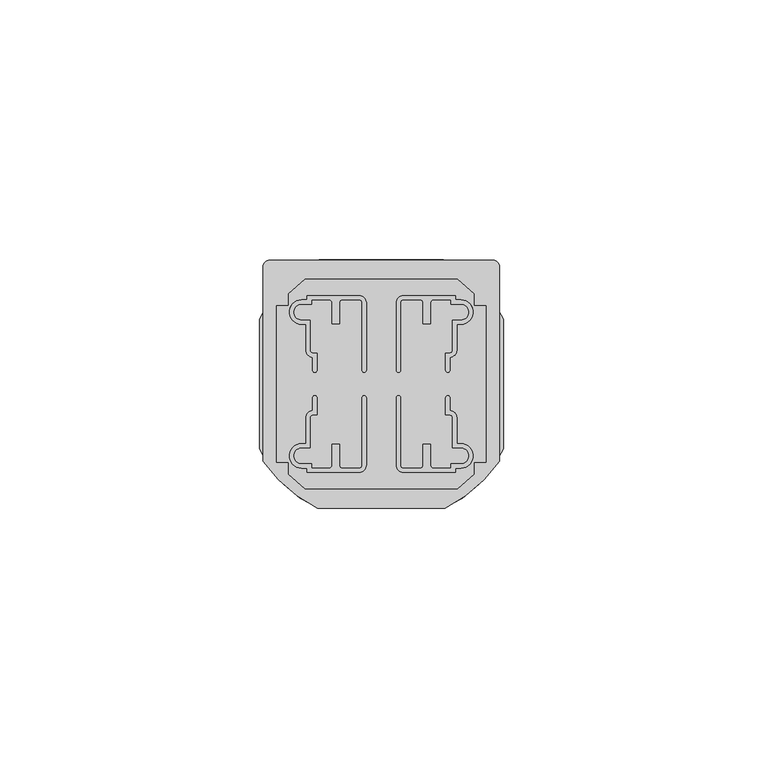
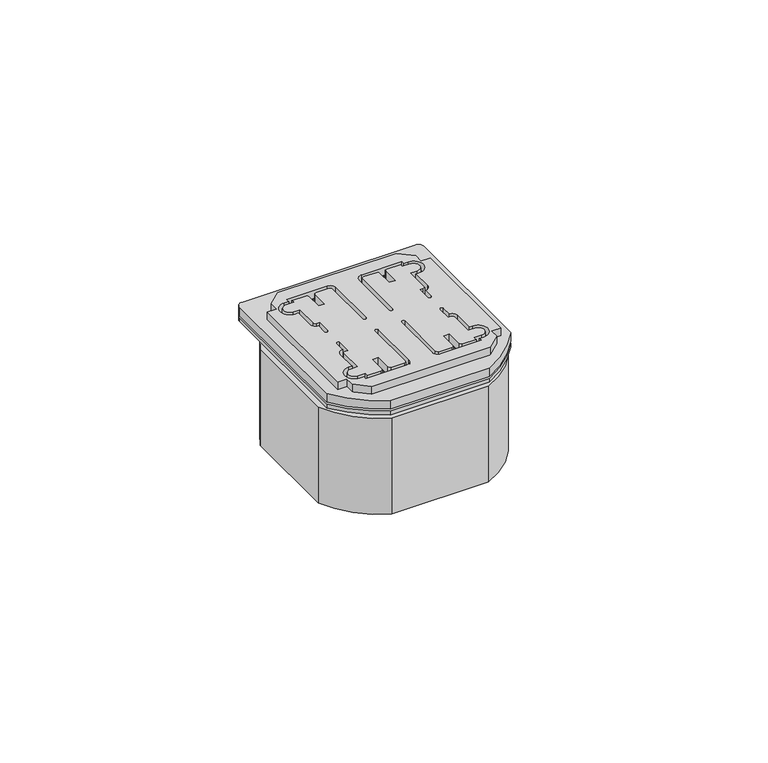
"""IFC4 building model written with IfcOpenShell, lengths in millimetres: proxy geometry."""

import ifcopenshell
import ifcopenshell.guid

model = None  # the IFC model being written
_history = None  # IfcOwnerHistory: only IFC2X3 demands one
_inside = {}  # id of a spatial element -> (the spatial element, [elements in it])
_under = {}  # id of a project, library or spatial element -> (it, [spatial elements below it])
_declared = {}  # id of a project -> (the project, [libraries it declares])
_typed = {}  # id of a type object -> (the type object, [elements of that type])
_made_of = {}  # id of a material, layer set ... -> (it, [elements and type objects made of it])


def new_model(schema):
    """Start an empty IFC model of exactly this schema.

    Asked for "IFC4X3", IfcOpenShell would pick the latest addendum, in which some entities
    have other attributes; the version numbers below select the first issue.
    IFC2X3 requires an IfcOwnerHistory on every rooted entity: one is made here for all.
    """
    global model, _history
    if schema == "IFC4X3":
        model = ifcopenshell.file(schema_version=(4, 3, 0, 0))
    else:
        model = ifcopenshell.file(schema=schema)
    _inside.clear()
    _under.clear()
    _declared.clear()
    _typed.clear()
    _made_of.clear()
    _history = None
    if model.schema == "IFC2X3":
        org = make("IfcOrganization", Name="unknown")
        user = make(
            "IfcPersonAndOrganization",
            ThePerson=make("IfcPerson", FamilyName="unknown"),
            TheOrganization=org,
        )
        app = make(
            "IfcApplication",
            ApplicationDeveloper=org,
            Version="unknown",
            ApplicationFullName="unknown",
            ApplicationIdentifier="unknown",
        )
        _history = make(
            "IfcOwnerHistory",
            OwningUser=user,
            OwningApplication=app,
            ChangeAction="ADDED",
            CreationDate=0,
        )
    return model


def make(cls, **values):
    """One entity of the class cls with the attributes given. An attribute that is None is left unset."""
    return model.create_entity(
        cls, **{name: value for name, value in values.items() if value is not None}
    )


def rooted(cls, **values):
    """An entity with a GlobalId (a new one), such as an element, a storey or a relation."""
    return make(cls, GlobalId=ifcopenshell.guid.new(), OwnerHistory=_history, **values)


def si_unit(unit_type, name, prefix=None):
    """IfcSIUnit, for example si_unit("LENGTHUNIT", "METRE", prefix="MILLI")."""
    return make("IfcSIUnit", UnitType=unit_type, Prefix=prefix, Name=name)


def assignment(units):
    """IfcUnitAssignment: the units of a project."""
    return None if units is None else make("IfcUnitAssignment", Units=units)


def point(xyz):
    """IfcCartesianPoint."""
    return None if xyz is None else make("IfcCartesianPoint", Coordinates=xyz)


def direction(xyz):
    """IfcDirection."""
    return None if xyz is None else make("IfcDirection", DirectionRatios=xyz)


def frame(location, z_axis=None, x_axis=None):
    """IfcAxis2Placement3D, a coordinate frame: its origin and axes. An axis left out is left unset."""
    return make(
        "IfcAxis2Placement3D",
        Location=point(location),
        Axis=direction(z_axis),
        RefDirection=direction(x_axis),
    )


def frame_2d(location, x_axis=None):
    """IfcAxis2Placement2D, a coordinate frame in the plane: its origin and x axis."""
    return make(
        "IfcAxis2Placement2D", Location=point(location), RefDirection=direction(x_axis)
    )


def origin():
    """The frame at (0, 0, 0) with its axes left unset."""
    return frame((0.0, 0.0, 0.0))


def origin_with_axes():
    """The frame at (0, 0, 0) with the z axis (0, 0, 1) and the x axis (1, 0, 0) written out."""
    return frame((0.0, 0.0, 0.0), z_axis=(0.0, 0.0, 1.0), x_axis=(1.0, 0.0, 0.0))


def place(relative_to, where):
    """IfcLocalPlacement: puts the frame where relative to a parent placement (None: the world)."""
    return make(
        "IfcLocalPlacement", PlacementRelTo=relative_to, RelativePlacement=where
    )


def context(
    kind, dimensions, precision=None, world=None, true_north=None, identifier=None
):
    """IfcGeometricRepresentationContext, for example the 3D "Model" context."""
    return make(
        "IfcGeometricRepresentationContext",
        ContextIdentifier=identifier,
        ContextType=kind,
        CoordinateSpaceDimension=dimensions,
        Precision=precision,
        WorldCoordinateSystem=world,
        TrueNorth=true_north,
    )


def project(units=None, contexts=None):
    """IfcProject with its units and contexts."""
    return rooted(
        "IfcProject",
        Name="project",
        RepresentationContexts=contexts,
        UnitsInContext=assignment(units),
    )


def spatial(cls, under=None, at=None, **own):
    """A site, building, storey or space (cls), placed at a placement, below another one or the project."""
    s = rooted(cls, ObjectPlacement=at, **own)
    if under is not None:
        _under.setdefault(under.id(), (under, []))[1].append(s)
    return s


def polyline(points):
    """IfcPolyline through the points."""
    return make("IfcPolyline", Points=[point(p) for p in points])


def circle_curve(where, radius):
    """IfcCircle in the frame where."""
    return make("IfcCircle", Position=where, Radius=radius)


def trimmed(basis, trim1, trim2, sense, master):
    """IfcTrimmedCurve: the piece of a basis curve between two trims."""
    return make(
        "IfcTrimmedCurve",
        BasisCurve=basis,
        Trim1=trim1,
        Trim2=trim2,
        SenseAgreement=sense,
        MasterRepresentation=master,
    )


def segment(curve, same_sense, transition):
    """IfcCompositeCurveSegment."""
    return make(
        "IfcCompositeCurveSegment",
        Transition=transition,
        SameSense=same_sense,
        ParentCurve=curve,
    )


def composite_curve(segments, self_intersect=None):
    """IfcCompositeCurve: segments joined end to end."""
    return make("IfcCompositeCurve", Segments=segments, SelfIntersect=self_intersect)


def outline(outer, holes=None, kind="AREA"):
    """IfcArbitraryClosedProfileDef: a profile drawn as a closed curve; with holes, ...WithVoids."""
    if holes is None:
        return make("IfcArbitraryClosedProfileDef", ProfileType=kind, OuterCurve=outer)
    return make(
        "IfcArbitraryProfileDefWithVoids",
        ProfileType=kind,
        OuterCurve=outer,
        InnerCurves=holes,
    )


def extrude(swept, where, along, depth):
    """IfcExtrudedAreaSolid: the profile swept, set in the frame where, extruded along a direction by depth."""
    return make(
        "IfcExtrudedAreaSolid",
        SweptArea=swept,
        Position=where,
        ExtrudedDirection=direction(along),
        Depth=depth,
    )


def shape(context_of_items, identifier, shape_type, items):
    """IfcShapeRepresentation: the items that make up one representation, for example the "Body"."""
    return make(
        "IfcShapeRepresentation",
        ContextOfItems=context_of_items,
        RepresentationIdentifier=identifier,
        RepresentationType=shape_type,
        Items=items,
    )


def source(mapping_origin, context_of_items, identifier, shape_type, items):
    """IfcRepresentationMap: a shape defined once, which mapped items show again and again."""
    return make(
        "IfcRepresentationMap",
        MappingOrigin=mapping_origin,
        MappedRepresentation=shape(context_of_items, identifier, shape_type, items),
    )


def transform(
    local_origin,
    x_axis=None,
    y_axis=None,
    z_axis=None,
    scale=None,
    scale2=None,
    scale3=None,
    uniform=True,
):
    """IfcCartesianTransformationOperator3D, or its non-uniform kind. x_axis, y_axis, z_axis: its Axis1, 2, 3."""
    if uniform:
        return make(
            "IfcCartesianTransformationOperator3D",
            Axis1=direction(x_axis),
            Axis2=direction(y_axis),
            LocalOrigin=point(local_origin),
            Scale=scale,
            Axis3=direction(z_axis),
        )
    return make(
        "IfcCartesianTransformationOperator3DnonUniform",
        Axis1=direction(x_axis),
        Axis2=direction(y_axis),
        LocalOrigin=point(local_origin),
        Scale=scale,
        Axis3=direction(z_axis),
        Scale2=scale2,
        Scale3=scale3,
    )


def mapped(mapping_source, mapping_target):
    """IfcMappedItem: shows the shape of a source again, moved by a transform."""
    return make(
        "IfcMappedItem", MappingSource=mapping_source, MappingTarget=mapping_target
    )


def made_of(thing, what):
    """Note that an element or type object is made of a material, layer set ...; save() writes the relation."""
    if what is not None:
        _made_of.setdefault(what.id(), (what, []))[1].append(thing)
    return thing


def element(
    cls,
    number,
    at=None,
    inside=None,
    cuts=None,
    type_object=None,
    material=None,
    context=None,
    identifier="Body",
    shape_type=None,
    held_by="IfcProductDefinitionShape",
    body=None,
    shapes=None,
    **own,
):
    """One element of the class cls, such as IfcWall. Its Tag is "e" and its number.

    at: its placement. inside: the storey or other place that contains it. cuts: it is an
    opening in that element (IfcRelVoidsElement). A single representation is given by context,
    identifier, shape_type and body (its items); several are given by shapes. held_by: the class
    of the entity that holds the representations. save() writes the other relations.
    """
    e = rooted(cls, Tag="e%d" % number, ObjectPlacement=at, **own)
    if body is not None:
        shapes = [shape(context, identifier, shape_type, body)]
    if shapes is not None:
        e.Representation = make(held_by, Representations=shapes)
    if inside is not None:
        _inside.setdefault(inside.id(), (inside, []))[1].append(e)
    if cuts is not None:
        rooted(
            "IfcRelVoidsElement", RelatingBuildingElement=cuts, RelatedOpeningElement=e
        )
    if type_object is not None:
        _typed.setdefault(type_object.id(), (type_object, []))[1].append(e)
    return made_of(e, material)


def aggregate(whole, parts):
    """IfcRelAggregates: a whole, such as a stair, and the parts it consists of."""
    return rooted("IfcRelAggregates", RelatingObject=whole, RelatedObjects=parts)


def save(model, path):
    """Write the relations noted so far, then the file.

    IfcRelAggregates (storeys below a building ...), IfcRelContainedInSpatialStructure (elements
    in a storey), IfcRelDefinesByType, IfcRelAssociatesMaterial and IfcRelDeclares: one each for
    every whole, place, type object, material and project.
    """
    for whole, parts in _under.values():
        aggregate(whole, parts)
    for where, things in _inside.values():
        rooted(
            "IfcRelContainedInSpatialStructure",
            RelatedElements=things,
            RelatingStructure=where,
        )
    for kind, things in _typed.values():
        rooted("IfcRelDefinesByType", RelatedObjects=things, RelatingType=kind)
    for what, things in _made_of.values():
        rooted("IfcRelAssociatesMaterial", RelatedObjects=things, RelatingMaterial=what)
    for by, libraries in _declared.values():
        rooted("IfcRelDeclares", RelatingContext=by, RelatedDefinitions=libraries)
    model.write(path)


def electrical_fixtures_1c433d3c(model_context):
    return source(origin(), model_context, "Body", "SweptSolid", [
        extrude(outline(composite_curve([segment(polyline([(0.9789013, 46.32347), (43.9976663, 46.32347)]), True, "CONTINUOUS"), segment(trimmed(circle_curve(frame_2d((43.9976663, 45.0249319)), 1.2985381), [point((43.9976663, 46.32347))], [point((45.2962044, 45.0249319))], False, "CARTESIAN"), True, "CONTINUOUS"), segment(polyline([(45.2962044, 45.0249319), (45.2962044, 7.6543811)]), True, "CONTINUOUS"), segment(trimmed(circle_curve(frame_2d((21.1903516, 24.8431667)), 29.6065278), [point((45.2962044, 7.6543811))], [point((34.7580096, -1.4715658))], False, "CARTESIAN"), True, "CONTINUOUS"), segment(polyline([(34.7580096, -1.4715658), (10.2419904, -1.4715658)]), True, "CONTINUOUS"), segment(trimmed(circle_curve(frame_2d((23.8096484, 24.8431667)), 29.6065278), [point((10.2419904, -1.4715658))], [point((-0.2962044, 7.6543811))], False, "CARTESIAN"), True, "CONTINUOUS"), segment(polyline([(-0.2962044, 7.6543811), (-0.2962044, 45.0483644)]), True, "CONTINUOUS"), segment(trimmed(circle_curve(frame_2d((0.9789013, 45.0483644)), 1.2751056), [point((-0.2962044, 45.0483644))], [point((0.9789013, 46.32347))], False, "CARTESIAN"), True, "CONTINUOUS")], self_intersect=False), holes=[composite_curve([segment(polyline([(8.223319, 5.5), (18.223319, 5.5)]), True, "CONTINUOUS"), segment(trimmed(circle_curve(frame_2d((18.223319, 6.873422)), 1.373422), [point((18.223319, 5.5))], [point((19.596741, 6.873422))], True, "CARTESIAN"), True, "CONTINUOUS"), segment(polyline([(19.596741, 6.873422), (19.596741, 19.8515221)]), True, "CONTINUOUS"), segment(trimmed(circle_curve(frame_2d((19.196741, 19.8515221)), 0.4), [point((19.596741, 19.8515221))], [point((18.796741, 19.8515221))], True, "CARTESIAN"), True, "CONTINUOUS"), segment(polyline([(18.796741, 19.8515221), (18.796741, 6.8108844)]), True, "CONTINUOUS"), segment(trimmed(circle_curve(frame_2d((18.2858566, 6.8108844)), 0.5108844), [point((18.796741, 6.8108844))], [point((18.2858566, 6.3))], False, "CARTESIAN"), True, "CONTINUOUS"), segment(polyline([(18.2858566, 6.3), (14.9445982, 6.3)]), True, "CONTINUOUS"), segment(trimmed(circle_curve(frame_2d((14.9445982, 6.8228572)), 0.5228572), [point((14.9445982, 6.3))], [point((14.421741, 6.8228572))], False, "CARTESIAN"), True, "CONTINUOUS"), segment(polyline([(14.421741, 6.8228572), (14.421741, 10.9015221), (12.996741, 10.9015221), (12.996741, 6.821406)]), True, "CONTINUOUS"), segment(trimmed(circle_curve(frame_2d((12.475335, 6.821406)), 0.521406), [point((12.996741, 6.821406))], [point((12.475335, 6.3))], False, "CARTESIAN"), True, "CONTINUOUS"), segment(polyline([(12.475335, 6.3), (9.023319, 6.3), (9.023319, 7.1), (7.1443079, 7.1)]), True, "CONTINUOUS"), segment(trimmed(circle_curve(frame_2d((7.1443079, 8.6530108)), 1.5530108), [point((7.1443079, 7.1))], [point((7.1443079, 10.2060216))], False, "CARTESIAN"), True, "CONTINUOUS"), segment(polyline([(7.1443079, 10.2060216), (8.746741, 10.2060216), (8.746741, 16.0060216)]), True, "CONTINUOUS"), segment(trimmed(circle_curve(frame_2d((9.2722489, 16.0060216)), 0.5255079), [point((8.746741, 16.0060216))], [point((9.2722489, 16.5315296))], False, "CARTESIAN"), True, "CONTINUOUS"), segment(polyline([(9.2722489, 16.5315296), (10.0722489, 16.5315296), (10.0722489, 19.8515221)]), True, "CONTINUOUS"), segment(trimmed(circle_curve(frame_2d((9.6722489, 19.8515221)), 0.4), [point((10.0722489, 19.8515221))], [point((9.2722489, 19.8515221))], True, "CARTESIAN"), True, "CONTINUOUS"), segment(polyline([(9.2722489, 19.8515221), (9.2722489, 17.3315296)]), True, "CONTINUOUS"), segment(trimmed(circle_curve(frame_2d((9.2722489, 16.0060216)), 1.3255079), [point((9.2722489, 17.3315296))], [point((7.946741, 16.0060216))], True, "CARTESIAN"), True, "CONTINUOUS"), segment(polyline([(7.946741, 16.0060216), (7.946741, 11.0060216), (7.1443079, 11.0060216)]), True, "CONTINUOUS"), segment(trimmed(circle_curve(frame_2d((7.1443079, 8.6530108)), 2.3530108), [point((7.1443079, 11.0060216))], [point((7.1443079, 6.3))], True, "CARTESIAN"), True, "CONTINUOUS"), segment(polyline([(7.1443079, 6.3), (8.223319, 6.3), (8.223319, 5.5)]), True, "CONTINUOUS")], self_intersect=False), composite_curve([segment(polyline([(12.996741, 38.178594), (12.996741, 34.0984779), (14.421741, 34.0984779), (14.421741, 38.1771428)]), True, "CONTINUOUS"), segment(trimmed(circle_curve(frame_2d((14.9445982, 38.1771428)), 0.5228572), [point((14.421741, 38.1771428))], [point((14.9445982, 38.7))], False, "CARTESIAN"), True, "CONTINUOUS"), segment(polyline([(14.9445982, 38.7), (18.2858566, 38.7)]), True, "CONTINUOUS"), segment(trimmed(circle_curve(frame_2d((18.2858566, 38.1891156)), 0.5108844), [point((18.2858566, 38.7))], [point((18.796741, 38.1891156))], False, "CARTESIAN"), True, "CONTINUOUS"), segment(polyline([(18.796741, 38.1891156), (18.796741, 25.1484779)]), True, "CONTINUOUS"), segment(trimmed(circle_curve(frame_2d((19.196741, 25.1484779)), 0.4), [point((18.796741, 25.1484779))], [point((19.596741, 25.1484779))], True, "CARTESIAN"), True, "CONTINUOUS"), segment(polyline([(19.596741, 25.1484779), (19.596741, 38.126578)]), True, "CONTINUOUS"), segment(trimmed(circle_curve(frame_2d((18.223319, 38.126578)), 1.373422), [point((19.596741, 38.126578))], [point((18.223319, 39.5))], True, "CARTESIAN"), True, "CONTINUOUS"), segment(polyline([(18.223319, 39.5), (8.223319, 39.5), (8.223319, 38.7), (7.1443079, 38.7)]), True, "CONTINUOUS"), segment(trimmed(circle_curve(frame_2d((7.1443079, 36.3469892)), 2.3530108), [point((7.1443079, 38.7))], [point((7.1443079, 33.9939784))], True, "CARTESIAN"), True, "CONTINUOUS"), segment(polyline([(7.1443079, 33.9939784), (7.946741, 33.9939784), (7.946741, 28.9939784)]), True, "CONTINUOUS"), segment(trimmed(circle_curve(frame_2d((9.2722489, 28.9939784)), 1.3255079), [point((7.946741, 28.9939784))], [point((9.2722489, 27.6684704))], True, "CARTESIAN"), True, "CONTINUOUS"), segment(polyline([(9.2722489, 27.6684704), (9.2722489, 25.1484779)]), True, "CONTINUOUS"), segment(trimmed(circle_curve(frame_2d((9.6722489, 25.1484779)), 0.4), [point((9.2722489, 25.1484779))], [point((10.0722489, 25.1484779))], True, "CARTESIAN"), True, "CONTINUOUS"), segment(polyline([(10.0722489, 25.1484779), (10.0722489, 28.4684704), (9.2722489, 28.4684704)]), True, "CONTINUOUS"), segment(trimmed(circle_curve(frame_2d((9.2722489, 28.9939784)), 0.5255079), [point((9.2722489, 28.4684704))], [point((8.746741, 28.9939784))], False, "CARTESIAN"), True, "CONTINUOUS"), segment(polyline([(8.746741, 28.9939784), (8.746741, 34.7939784), (7.1443079, 34.7939784)]), True, "CONTINUOUS"), segment(trimmed(circle_curve(frame_2d((7.1443079, 36.3469892)), 1.5530108), [point((7.1443079, 34.7939784))], [point((7.1443079, 37.9))], False, "CARTESIAN"), True, "CONTINUOUS"), segment(polyline([(7.1443079, 37.9), (9.023319, 37.9), (9.023319, 38.7), (12.475335, 38.7)]), True, "CONTINUOUS"), segment(trimmed(circle_curve(frame_2d((12.475335, 38.178594)), 0.521406), [point((12.475335, 38.7))], [point((12.996741, 38.178594))], False, "CARTESIAN"), True, "CONTINUOUS")], self_intersect=False), composite_curve([segment(polyline([(31.9798265, 6.821406), (31.9798265, 10.9015221), (30.5548265, 10.9015221), (30.5548265, 6.8228572)]), True, "CONTINUOUS"), segment(trimmed(circle_curve(frame_2d((30.0319693, 6.8228572)), 0.5228572), [point((30.5548265, 6.8228572))], [point((30.0319693, 6.3))], False, "CARTESIAN"), True, "CONTINUOUS"), segment(polyline([(30.0319693, 6.3), (26.6907109, 6.3)]), True, "CONTINUOUS"), segment(trimmed(circle_curve(frame_2d((26.6907109, 6.8108844)), 0.5108844), [point((26.6907109, 6.3))], [point((26.1798265, 6.8108844))], False, "CARTESIAN"), True, "CONTINUOUS"), segment(polyline([(26.1798265, 6.8108844), (26.1798265, 19.8515221)]), True, "CONTINUOUS"), segment(trimmed(circle_curve(frame_2d((25.7798265, 19.8515221)), 0.4), [point((26.1798265, 19.8515221))], [point((25.3798265, 19.8515221))], True, "CARTESIAN"), True, "CONTINUOUS"), segment(polyline([(25.3798265, 19.8515221), (25.3798265, 6.873422)]), True, "CONTINUOUS"), segment(trimmed(circle_curve(frame_2d((26.7532485, 6.873422)), 1.373422), [point((25.3798265, 6.873422))], [point((26.7532485, 5.5))], True, "CARTESIAN"), True, "CONTINUOUS"), segment(polyline([(26.7532485, 5.5), (36.7532485, 5.5), (36.7532485, 6.3), (37.8322596, 6.3)]), True, "CONTINUOUS"), segment(trimmed(circle_curve(frame_2d((37.8322596, 8.6530108)), 2.3530108), [point((37.8322596, 6.3))], [point((37.8322596, 11.0060216))], True, "CARTESIAN"), True, "CONTINUOUS"), segment(polyline([(37.8322596, 11.0060216), (37.0298265, 11.0060216), (37.0298265, 16.0060216)]), True, "CONTINUOUS"), segment(trimmed(circle_curve(frame_2d((35.7043186, 16.0060216)), 1.3255079), [point((37.0298265, 16.0060216))], [point((35.7043186, 17.3315296))], True, "CARTESIAN"), True, "CONTINUOUS"), segment(polyline([(35.7043186, 17.3315296), (35.7043186, 19.8515221)]), True, "CONTINUOUS"), segment(trimmed(circle_curve(frame_2d((35.3043186, 19.8515221)), 0.4), [point((35.7043186, 19.8515221))], [point((34.9043186, 19.8515221))], True, "CARTESIAN"), True, "CONTINUOUS"), segment(polyline([(34.9043186, 19.8515221), (34.9043186, 16.5315296), (35.7043186, 16.5315296)]), True, "CONTINUOUS"), segment(trimmed(circle_curve(frame_2d((35.7043186, 16.0060216)), 0.5255079), [point((35.7043186, 16.5315296))], [point((36.2298265, 16.0060216))], False, "CARTESIAN"), True, "CONTINUOUS"), segment(polyline([(36.2298265, 16.0060216), (36.2298265, 10.2060216), (37.8322596, 10.2060216)]), True, "CONTINUOUS"), segment(trimmed(circle_curve(frame_2d((37.8322596, 8.6530108)), 1.5530108), [point((37.8322596, 10.2060216))], [point((37.8322596, 7.1))], False, "CARTESIAN"), True, "CONTINUOUS"), segment(polyline([(37.8322596, 7.1), (35.9532485, 7.1), (35.9532485, 6.3), (32.5012325, 6.3)]), True, "CONTINUOUS"), segment(trimmed(circle_curve(frame_2d((32.5012325, 6.821406)), 0.521406), [point((32.5012325, 6.3))], [point((31.9798265, 6.821406))], False, "CARTESIAN"), True, "CONTINUOUS")], self_intersect=False), composite_curve([segment(trimmed(circle_curve(frame_2d((32.5012325, 38.178594)), 0.521406), [point((31.9798265, 38.178594))], [point((32.5012325, 38.7))], False, "CARTESIAN"), True, "CONTINUOUS"), segment(polyline([(32.5012325, 38.7), (35.9532485, 38.7), (35.9532485, 37.9), (37.8322596, 37.9)]), True, "CONTINUOUS"), segment(trimmed(circle_curve(frame_2d((37.8322596, 36.3469892)), 1.5530108), [point((37.8322596, 37.9))], [point((37.8322596, 34.7939784))], False, "CARTESIAN"), True, "CONTINUOUS"), segment(polyline([(37.8322596, 34.7939784), (36.2298265, 34.7939784), (36.2298265, 28.9939784)]), True, "CONTINUOUS"), segment(trimmed(circle_curve(frame_2d((35.7043186, 28.9939784)), 0.5255079), [point((36.2298265, 28.9939784))], [point((35.7043186, 28.4684704))], False, "CARTESIAN"), True, "CONTINUOUS"), segment(polyline([(35.7043186, 28.4684704), (34.9043186, 28.4684704), (34.9043186, 25.1484779)]), True, "CONTINUOUS"), segment(trimmed(circle_curve(frame_2d((35.3043186, 25.1484779)), 0.4), [point((34.9043186, 25.1484779))], [point((35.7043186, 25.1484779))], True, "CARTESIAN"), True, "CONTINUOUS"), segment(polyline([(35.7043186, 25.1484779), (35.7043186, 27.6684704)]), True, "CONTINUOUS"), segment(trimmed(circle_curve(frame_2d((35.7043186, 28.9939784)), 1.3255079), [point((35.7043186, 27.6684704))], [point((37.0298265, 28.9939784))], True, "CARTESIAN"), True, "CONTINUOUS"), segment(polyline([(37.0298265, 28.9939784), (37.0298265, 33.9939784), (37.8322596, 33.9939784)]), True, "CONTINUOUS"), segment(trimmed(circle_curve(frame_2d((37.8322596, 36.3469892)), 2.3530108), [point((37.8322596, 33.9939784))], [point((37.8322596, 38.7))], True, "CARTESIAN"), True, "CONTINUOUS"), segment(polyline([(37.8322596, 38.7), (36.7532485, 38.7), (36.7532485, 39.5), (26.7532485, 39.5)]), True, "CONTINUOUS"), segment(trimmed(circle_curve(frame_2d((26.7532485, 38.126578)), 1.373422), [point((26.7532485, 39.5))], [point((25.3798265, 38.126578))], True, "CARTESIAN"), True, "CONTINUOUS"), segment(polyline([(25.3798265, 38.126578), (25.3798265, 25.1484779)]), True, "CONTINUOUS"), segment(trimmed(circle_curve(frame_2d((25.7798265, 25.1484779)), 0.4), [point((25.3798265, 25.1484779))], [point((26.1798265, 25.1484779))], True, "CARTESIAN"), True, "CONTINUOUS"), segment(polyline([(26.1798265, 25.1484779), (26.1798265, 38.1891156)]), True, "CONTINUOUS"), segment(trimmed(circle_curve(frame_2d((26.6907109, 38.1891156)), 0.5108844), [point((26.1798265, 38.1891156))], [point((26.6907109, 38.7))], False, "CARTESIAN"), True, "CONTINUOUS"), segment(polyline([(26.6907109, 38.7), (30.0319693, 38.7)]), True, "CONTINUOUS"), segment(trimmed(circle_curve(frame_2d((30.0319693, 38.1771428)), 0.5228572), [point((30.0319693, 38.7))], [point((30.5548265, 38.1771428))], False, "CARTESIAN"), True, "CONTINUOUS"), segment(polyline([(30.5548265, 38.1771428), (30.5548265, 34.0984779), (31.9798265, 34.0984779), (31.9798265, 38.178594)]), True, "CONTINUOUS")], self_intersect=False)]), frame((0.0, 0.0, 1.4999955), z_axis=(0.0, 0.0, 1.0), x_axis=(1.0, 0.0, 0.0)), (0.0, 0.0, 1.0), 2.2117035),
        extrude(outline(polyline([(7.817513, 42.6965395), (37.1590546, 42.6965395), (40.3765675, 39.8746223), (40.3765675, 37.6), (42.6878119, 37.6), (42.6878119, 7.4), (40.3765675, 7.4), (40.3765675, 5.1253777), (37.1590546, 2.3034605), (7.817513, 2.3034605), (4.6, 5.1253777), (4.6, 7.4), (2.3121881, 7.4), (2.3121881, 37.6), (4.6, 37.6), (4.6, 39.8746223), (7.817513, 42.6965395)]), holes=[composite_curve([segment(polyline([(8.223319, 5.5), (18.223319, 5.5)]), True, "CONTINUOUS"), segment(trimmed(circle_curve(frame_2d((18.223319, 6.873422)), 1.373422), [point((18.223319, 5.5))], [point((19.596741, 6.873422))], True, "CARTESIAN"), True, "CONTINUOUS"), segment(polyline([(19.596741, 6.873422), (19.596741, 19.8515221)]), True, "CONTINUOUS"), segment(trimmed(circle_curve(frame_2d((19.196741, 19.8515221)), 0.4), [point((19.596741, 19.8515221))], [point((18.796741, 19.8515221))], True, "CARTESIAN"), True, "CONTINUOUS"), segment(polyline([(18.796741, 19.8515221), (18.796741, 6.8108844)]), True, "CONTINUOUS"), segment(trimmed(circle_curve(frame_2d((18.2858566, 6.8108844)), 0.5108844), [point((18.796741, 6.8108844))], [point((18.2858566, 6.3))], False, "CARTESIAN"), True, "CONTINUOUS"), segment(polyline([(18.2858566, 6.3), (14.9445982, 6.3)]), True, "CONTINUOUS"), segment(trimmed(circle_curve(frame_2d((14.9445982, 6.8228572)), 0.5228572), [point((14.9445982, 6.3))], [point((14.421741, 6.8228572))], False, "CARTESIAN"), True, "CONTINUOUS"), segment(polyline([(14.421741, 6.8228572), (14.421741, 10.9015221), (12.996741, 10.9015221), (12.996741, 6.821406)]), True, "CONTINUOUS"), segment(trimmed(circle_curve(frame_2d((12.475335, 6.821406)), 0.521406), [point((12.996741, 6.821406))], [point((12.475335, 6.3))], False, "CARTESIAN"), True, "CONTINUOUS"), segment(polyline([(12.475335, 6.3), (9.023319, 6.3), (9.023319, 7.1), (7.1443079, 7.1)]), True, "CONTINUOUS"), segment(trimmed(circle_curve(frame_2d((7.1443079, 8.6530108)), 1.5530108), [point((7.1443079, 7.1))], [point((7.1443079, 10.2060216))], False, "CARTESIAN"), True, "CONTINUOUS"), segment(polyline([(7.1443079, 10.2060216), (8.746741, 10.2060216), (8.746741, 16.0060216)]), True, "CONTINUOUS"), segment(trimmed(circle_curve(frame_2d((9.2722489, 16.0060216)), 0.5255079), [point((8.746741, 16.0060216))], [point((9.2722489, 16.5315296))], False, "CARTESIAN"), True, "CONTINUOUS"), segment(polyline([(9.2722489, 16.5315296), (10.0722489, 16.5315296), (10.0722489, 19.8515221)]), True, "CONTINUOUS"), segment(trimmed(circle_curve(frame_2d((9.6722489, 19.8515221)), 0.4), [point((10.0722489, 19.8515221))], [point((9.2722489, 19.8515221))], True, "CARTESIAN"), True, "CONTINUOUS"), segment(polyline([(9.2722489, 19.8515221), (9.2722489, 17.3315296)]), True, "CONTINUOUS"), segment(trimmed(circle_curve(frame_2d((9.2722489, 16.0060216)), 1.3255079), [point((9.2722489, 17.3315296))], [point((7.946741, 16.0060216))], True, "CARTESIAN"), True, "CONTINUOUS"), segment(polyline([(7.946741, 16.0060216), (7.946741, 11.0060216), (7.1443079, 11.0060216)]), True, "CONTINUOUS"), segment(trimmed(circle_curve(frame_2d((7.1443079, 8.6530108)), 2.3530108), [point((7.1443079, 11.0060216))], [point((7.1443079, 6.3))], True, "CARTESIAN"), True, "CONTINUOUS"), segment(polyline([(7.1443079, 6.3), (8.223319, 6.3), (8.223319, 5.5)]), True, "CONTINUOUS")], self_intersect=False), composite_curve([segment(polyline([(12.996741, 38.178594), (12.996741, 34.0984779), (14.421741, 34.0984779), (14.421741, 38.1771428)]), True, "CONTINUOUS"), segment(trimmed(circle_curve(frame_2d((14.9445982, 38.1771428)), 0.5228572), [point((14.421741, 38.1771428))], [point((14.9445982, 38.7))], False, "CARTESIAN"), True, "CONTINUOUS"), segment(polyline([(14.9445982, 38.7), (18.2858566, 38.7)]), True, "CONTINUOUS"), segment(trimmed(circle_curve(frame_2d((18.2858566, 38.1891156)), 0.5108844), [point((18.2858566, 38.7))], [point((18.796741, 38.1891156))], False, "CARTESIAN"), True, "CONTINUOUS"), segment(polyline([(18.796741, 38.1891156), (18.796741, 25.1484779)]), True, "CONTINUOUS"), segment(trimmed(circle_curve(frame_2d((19.196741, 25.1484779)), 0.4), [point((18.796741, 25.1484779))], [point((19.596741, 25.1484779))], True, "CARTESIAN"), True, "CONTINUOUS"), segment(polyline([(19.596741, 25.1484779), (19.596741, 38.126578)]), True, "CONTINUOUS"), segment(trimmed(circle_curve(frame_2d((18.223319, 38.126578)), 1.373422), [point((19.596741, 38.126578))], [point((18.223319, 39.5))], True, "CARTESIAN"), True, "CONTINUOUS"), segment(polyline([(18.223319, 39.5), (8.223319, 39.5), (8.223319, 38.7), (7.1443079, 38.7)]), True, "CONTINUOUS"), segment(trimmed(circle_curve(frame_2d((7.1443079, 36.3469892)), 2.3530108), [point((7.1443079, 38.7))], [point((7.1443079, 33.9939784))], True, "CARTESIAN"), True, "CONTINUOUS"), segment(polyline([(7.1443079, 33.9939784), (7.946741, 33.9939784), (7.946741, 28.9939784)]), True, "CONTINUOUS"), segment(trimmed(circle_curve(frame_2d((9.2722489, 28.9939784)), 1.3255079), [point((7.946741, 28.9939784))], [point((9.2722489, 27.6684704))], True, "CARTESIAN"), True, "CONTINUOUS"), segment(polyline([(9.2722489, 27.6684704), (9.2722489, 25.1484779)]), True, "CONTINUOUS"), segment(trimmed(circle_curve(frame_2d((9.6722489, 25.1484779)), 0.4), [point((9.2722489, 25.1484779))], [point((10.0722489, 25.1484779))], True, "CARTESIAN"), True, "CONTINUOUS"), segment(polyline([(10.0722489, 25.1484779), (10.0722489, 28.4684704), (9.2722489, 28.4684704)]), True, "CONTINUOUS"), segment(trimmed(circle_curve(frame_2d((9.2722489, 28.9939784)), 0.5255079), [point((9.2722489, 28.4684704))], [point((8.746741, 28.9939784))], False, "CARTESIAN"), True, "CONTINUOUS"), segment(polyline([(8.746741, 28.9939784), (8.746741, 34.7939784), (7.1443079, 34.7939784)]), True, "CONTINUOUS"), segment(trimmed(circle_curve(frame_2d((7.1443079, 36.3469892)), 1.5530108), [point((7.1443079, 34.7939784))], [point((7.1443079, 37.9))], False, "CARTESIAN"), True, "CONTINUOUS"), segment(polyline([(7.1443079, 37.9), (9.023319, 37.9), (9.023319, 38.7), (12.475335, 38.7)]), True, "CONTINUOUS"), segment(trimmed(circle_curve(frame_2d((12.475335, 38.178594)), 0.521406), [point((12.475335, 38.7))], [point((12.996741, 38.178594))], False, "CARTESIAN"), True, "CONTINUOUS")], self_intersect=False), composite_curve([segment(polyline([(31.9798265, 6.821406), (31.9798265, 10.9015221), (30.5548265, 10.9015221), (30.5548265, 6.8228572)]), True, "CONTINUOUS"), segment(trimmed(circle_curve(frame_2d((30.0319693, 6.8228572)), 0.5228572), [point((30.5548265, 6.8228572))], [point((30.0319693, 6.3))], False, "CARTESIAN"), True, "CONTINUOUS"), segment(polyline([(30.0319693, 6.3), (26.6907109, 6.3)]), True, "CONTINUOUS"), segment(trimmed(circle_curve(frame_2d((26.6907109, 6.8108844)), 0.5108844), [point((26.6907109, 6.3))], [point((26.1798265, 6.8108844))], False, "CARTESIAN"), True, "CONTINUOUS"), segment(polyline([(26.1798265, 6.8108844), (26.1798265, 19.8515221)]), True, "CONTINUOUS"), segment(trimmed(circle_curve(frame_2d((25.7798265, 19.8515221)), 0.4), [point((26.1798265, 19.8515221))], [point((25.3798265, 19.8515221))], True, "CARTESIAN"), True, "CONTINUOUS"), segment(polyline([(25.3798265, 19.8515221), (25.3798265, 6.873422)]), True, "CONTINUOUS"), segment(trimmed(circle_curve(frame_2d((26.7532485, 6.873422)), 1.373422), [point((25.3798265, 6.873422))], [point((26.7532485, 5.5))], True, "CARTESIAN"), True, "CONTINUOUS"), segment(polyline([(26.7532485, 5.5), (36.7532485, 5.5), (36.7532485, 6.3), (37.8322596, 6.3)]), True, "CONTINUOUS"), segment(trimmed(circle_curve(frame_2d((37.8322596, 8.6530108)), 2.3530108), [point((37.8322596, 6.3))], [point((37.8322596, 11.0060216))], True, "CARTESIAN"), True, "CONTINUOUS"), segment(polyline([(37.8322596, 11.0060216), (37.0298265, 11.0060216), (37.0298265, 16.0060216)]), True, "CONTINUOUS"), segment(trimmed(circle_curve(frame_2d((35.7043186, 16.0060216)), 1.3255079), [point((37.0298265, 16.0060216))], [point((35.7043186, 17.3315296))], True, "CARTESIAN"), True, "CONTINUOUS"), segment(polyline([(35.7043186, 17.3315296), (35.7043186, 19.8515221)]), True, "CONTINUOUS"), segment(trimmed(circle_curve(frame_2d((35.3043186, 19.8515221)), 0.4), [point((35.7043186, 19.8515221))], [point((34.9043186, 19.8515221))], True, "CARTESIAN"), True, "CONTINUOUS"), segment(polyline([(34.9043186, 19.8515221), (34.9043186, 16.5315296), (35.7043186, 16.5315296)]), True, "CONTINUOUS"), segment(trimmed(circle_curve(frame_2d((35.7043186, 16.0060216)), 0.5255079), [point((35.7043186, 16.5315296))], [point((36.2298265, 16.0060216))], False, "CARTESIAN"), True, "CONTINUOUS"), segment(polyline([(36.2298265, 16.0060216), (36.2298265, 10.2060216), (37.8322596, 10.2060216)]), True, "CONTINUOUS"), segment(trimmed(circle_curve(frame_2d((37.8322596, 8.6530108)), 1.5530108), [point((37.8322596, 10.2060216))], [point((37.8322596, 7.1))], False, "CARTESIAN"), True, "CONTINUOUS"), segment(polyline([(37.8322596, 7.1), (35.9532485, 7.1), (35.9532485, 6.3), (32.5012325, 6.3)]), True, "CONTINUOUS"), segment(trimmed(circle_curve(frame_2d((32.5012325, 6.821406)), 0.521406), [point((32.5012325, 6.3))], [point((31.9798265, 6.821406))], False, "CARTESIAN"), True, "CONTINUOUS")], self_intersect=False), composite_curve([segment(trimmed(circle_curve(frame_2d((32.5012325, 38.178594)), 0.521406), [point((31.9798265, 38.178594))], [point((32.5012325, 38.7))], False, "CARTESIAN"), True, "CONTINUOUS"), segment(polyline([(32.5012325, 38.7), (35.9532485, 38.7), (35.9532485, 37.9), (37.8322596, 37.9)]), True, "CONTINUOUS"), segment(trimmed(circle_curve(frame_2d((37.8322596, 36.3469892)), 1.5530108), [point((37.8322596, 37.9))], [point((37.8322596, 34.7939784))], False, "CARTESIAN"), True, "CONTINUOUS"), segment(polyline([(37.8322596, 34.7939784), (36.2298265, 34.7939784), (36.2298265, 28.9939784)]), True, "CONTINUOUS"), segment(trimmed(circle_curve(frame_2d((35.7043186, 28.9939784)), 0.5255079), [point((36.2298265, 28.9939784))], [point((35.7043186, 28.4684704))], False, "CARTESIAN"), True, "CONTINUOUS"), segment(polyline([(35.7043186, 28.4684704), (34.9043186, 28.4684704), (34.9043186, 25.1484779)]), True, "CONTINUOUS"), segment(trimmed(circle_curve(frame_2d((35.3043186, 25.1484779)), 0.4), [point((34.9043186, 25.1484779))], [point((35.7043186, 25.1484779))], True, "CARTESIAN"), True, "CONTINUOUS"), segment(polyline([(35.7043186, 25.1484779), (35.7043186, 27.6684704)]), True, "CONTINUOUS"), segment(trimmed(circle_curve(frame_2d((35.7043186, 28.9939784)), 1.3255079), [point((35.7043186, 27.6684704))], [point((37.0298265, 28.9939784))], True, "CARTESIAN"), True, "CONTINUOUS"), segment(polyline([(37.0298265, 28.9939784), (37.0298265, 33.9939784), (37.8322596, 33.9939784)]), True, "CONTINUOUS"), segment(trimmed(circle_curve(frame_2d((37.8322596, 36.3469892)), 2.3530108), [point((37.8322596, 33.9939784))], [point((37.8322596, 38.7))], True, "CARTESIAN"), True, "CONTINUOUS"), segment(polyline([(37.8322596, 38.7), (36.7532485, 38.7), (36.7532485, 39.5), (26.7532485, 39.5)]), True, "CONTINUOUS"), segment(trimmed(circle_curve(frame_2d((26.7532485, 38.126578)), 1.373422), [point((26.7532485, 39.5))], [point((25.3798265, 38.126578))], True, "CARTESIAN"), True, "CONTINUOUS"), segment(polyline([(25.3798265, 38.126578), (25.3798265, 25.1484779)]), True, "CONTINUOUS"), segment(trimmed(circle_curve(frame_2d((25.7798265, 25.1484779)), 0.4), [point((25.3798265, 25.1484779))], [point((26.1798265, 25.1484779))], True, "CARTESIAN"), True, "CONTINUOUS"), segment(polyline([(26.1798265, 25.1484779), (26.1798265, 38.1891156)]), True, "CONTINUOUS"), segment(trimmed(circle_curve(frame_2d((26.6907109, 38.1891156)), 0.5108844), [point((26.1798265, 38.1891156))], [point((26.6907109, 38.7))], False, "CARTESIAN"), True, "CONTINUOUS"), segment(polyline([(26.6907109, 38.7), (30.0319693, 38.7)]), True, "CONTINUOUS"), segment(trimmed(circle_curve(frame_2d((30.0319693, 38.1771428)), 0.5228572), [point((30.0319693, 38.7))], [point((30.5548265, 38.1771428))], False, "CARTESIAN"), True, "CONTINUOUS"), segment(polyline([(30.5548265, 38.1771428), (30.5548265, 34.0984779), (31.9798265, 34.0984779), (31.9798265, 38.178594)]), True, "CONTINUOUS")], self_intersect=False)]), frame((0.0, 0.0, 3.711699), z_axis=(0.0, 0.0, 1.0), x_axis=(1.0, 0.0, 0.0)), (0.0, 0.0, 1.0), 2.3265942),
        extrude(outline(composite_curve([segment(polyline([(0.9789013, 46.32347), (43.9976663, 46.32347)]), True, "CONTINUOUS"), segment(trimmed(circle_curve(frame_2d((43.9976663, 45.0249319)), 1.2985381), [point((43.9976663, 46.32347))], [point((45.2962044, 45.0249319))], False, "CARTESIAN"), True, "CONTINUOUS"), segment(polyline([(45.2962044, 45.0249319), (45.2962044, 7.6543811)]), True, "CONTINUOUS"), segment(trimmed(circle_curve(frame_2d((21.1903516, 24.8431667)), 29.6065278), [point((45.2962044, 7.6543811))], [point((34.7580096, -1.4715658))], False, "CARTESIAN"), True, "CONTINUOUS"), segment(polyline([(34.7580096, -1.4715658), (10.2419904, -1.4715658)]), True, "CONTINUOUS"), segment(trimmed(circle_curve(frame_2d((23.8096484, 24.8431667)), 29.6065278), [point((10.2419904, -1.4715658))], [point((-0.2962044, 7.6543811))], False, "CARTESIAN"), True, "CONTINUOUS"), segment(polyline([(-0.2962044, 7.6543811), (-0.2962044, 45.0483644)]), True, "CONTINUOUS"), segment(trimmed(circle_curve(frame_2d((0.9789013, 45.0483644)), 1.2751056), [point((-0.2962044, 45.0483644))], [point((0.9789013, 46.32347))], False, "CARTESIAN"), True, "CONTINUOUS")], self_intersect=False)), origin_with_axes(), (0.0, 0.0, 1.0), 1.0),
        extrude(outline(composite_curve([segment(trimmed(circle_curve(frame_2d((25.8090347, 26.267337)), 21.987303), [point((34.4825941, 46.4715658))], [point((46.0132635, 34.9408963))], False, "CARTESIAN"), True, "CONTINUOUS"), segment(polyline([(46.0132635, 34.9408963), (46.0132635, 10.0591037)]), True, "CONTINUOUS"), segment(trimmed(circle_curve(frame_2d((25.8090347, 18.732663)), 21.987303), [point((46.0132635, 10.0591037))], [point((34.4825941, -1.4715658))], False, "CARTESIAN"), True, "CONTINUOUS"), segment(polyline([(34.4825941, -1.4715658), (10.5174059, -1.4715658)]), True, "CONTINUOUS"), segment(trimmed(circle_curve(frame_2d((19.1909653, 18.732663)), 21.987303), [point((10.5174059, -1.4715658))], [point((-1.0132635, 10.0591037))], False, "CARTESIAN"), True, "CONTINUOUS"), segment(polyline([(-1.0132635, 10.0591037), (-1.0132635, 34.9408963)]), True, "CONTINUOUS"), segment(trimmed(circle_curve(frame_2d((19.1909653, 26.267337)), 21.987303), [point((-1.0132635, 34.9408963))], [point((10.5174059, 46.4715658))], False, "CARTESIAN"), True, "CONTINUOUS"), segment(polyline([(10.5174059, 46.4715658), (34.4825941, 46.4715658)]), True, "CONTINUOUS")], self_intersect=False)), frame((0.0, 0.0, -26.1102138), z_axis=(0.0, 0.0, 1.0), x_axis=(1.0, 0.0, 0.0)), (0.0, 0.0, 1.0), 25.1727138),
    ])


if __name__ == "__main__":
    model = new_model("IFC4")
    model_context = context("Model", 3, world=origin())
    ifc_project = project(units=[si_unit("LENGTHUNIT", "METRE", prefix="MILLI")], contexts=[model_context])
    site = spatial("IfcSite", under=ifc_project)
    building = spatial("IfcBuilding", under=site)
    placement = place(None, origin())
    electrical_fixtures_shape = electrical_fixtures_1c433d3c(model_context)
    element("IfcBuildingElementProxy", 1, Name="Electrical Fixtures", at=placement, inside=building, context=model_context, shape_type="MappedRepresentation", body=[
        mapped(electrical_fixtures_shape, transform((0.0, 0.0, 0.0), x_axis=(1.0, 0.0, 0.0), y_axis=(0.0, 1.0, 0.0), z_axis=(0.0, 0.0, 1.0))),
    ])
    save(model, "model.ifc")
